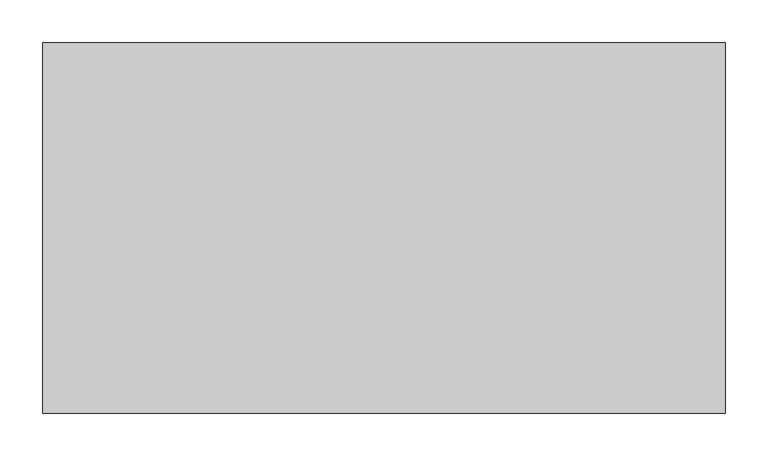
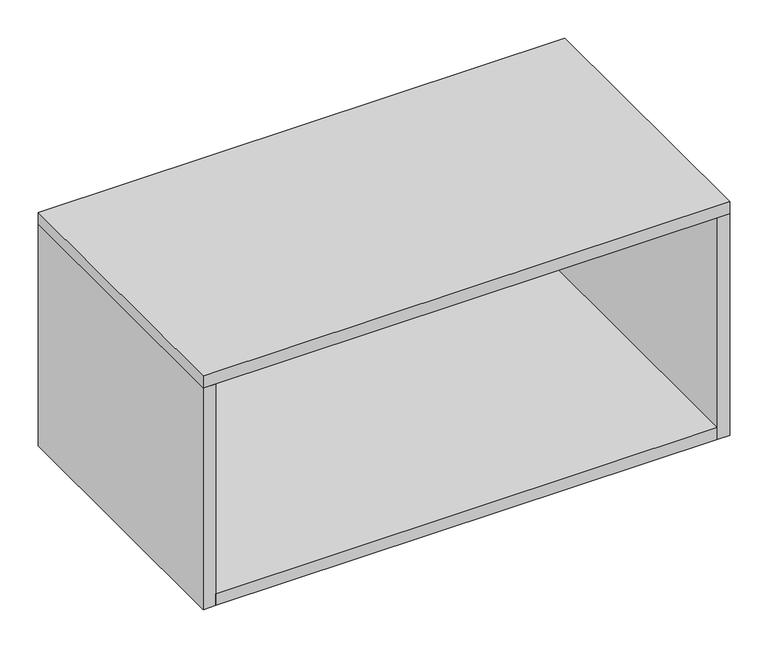
"""IFC4 building model written with IfcOpenShell, lengths in millimetres: furniture geometry."""

from ifc_helpers import new_model, si_unit, frame, origin, origin_with_axes, place, context, project, spatial, polyline, outline, extrude, source, transform, mapped, element, save


def furniture_70e62e2b(model_context):
    return source(origin(), model_context, "Body", "SweptSolid", [
        extrude(outline(polyline([(81.0, 209.0), (-681.0, 209.0), (-681.0, 217.0), (81.0, 217.0), (81.0, 209.0)])), frame((0.0, 0.0, 19.0), z_axis=(0.0, 0.0, 1.0), x_axis=(1.0, 0.0, 0.0)), (0.0, 0.0, 1.0), 337.0),
        extrude(outline(polyline([(-700.0, -217.0), (-700.0, 217.0), (100.0, 217.0), (100.0, -217.0), (-700.0, -217.0)])), frame((0.0, 0.0, 356.0), z_axis=(0.0, 0.0, 1.0), x_axis=(1.0, 0.0, 0.0)), (0.0, 0.0, 1.0), 19.0),
        extrude(outline(polyline([(100.0, 217.0), (100.0, -217.0), (81.0, -217.0), (81.0, 217.0), (100.0, 217.0)])), origin_with_axes(), (0.0, 0.0, 1.0), 356.0),
        extrude(outline(polyline([(-681.0, 217.0), (-681.0, -217.0), (-700.0, -217.0), (-700.0, 217.0), (-681.0, 217.0)])), origin_with_axes(), (0.0, 0.0, 1.0), 356.0),
        extrude(outline(polyline([(81.0, 217.0), (81.0, -217.0), (-681.0, -217.0), (-681.0, 217.0), (81.0, 217.0)])), origin_with_axes(), (0.0, 0.0, 1.0), 19.0),
    ])


if __name__ == "__main__":
    model = new_model("IFC4")
    model_context = context("Model", 3, world=origin())
    ifc_project = project(units=[si_unit("LENGTHUNIT", "METRE", prefix="MILLI")], contexts=[model_context])
    site = spatial("IfcSite", under=ifc_project)
    building = spatial("IfcBuilding", under=site)
    placement = place(None, origin())
    furniture_shape = furniture_70e62e2b(model_context)
    element("IfcFurniture", 1, at=placement, inside=building, context=model_context, shape_type="MappedRepresentation", body=[
        mapped(furniture_shape, transform((0.0, 0.0, 0.0), x_axis=(1.0, 0.0, 0.0), y_axis=(0.0, 1.0, 0.0), z_axis=(0.0, 0.0, 1.0))),
    ])
    save(model, "model.ifc")
